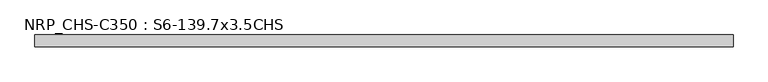
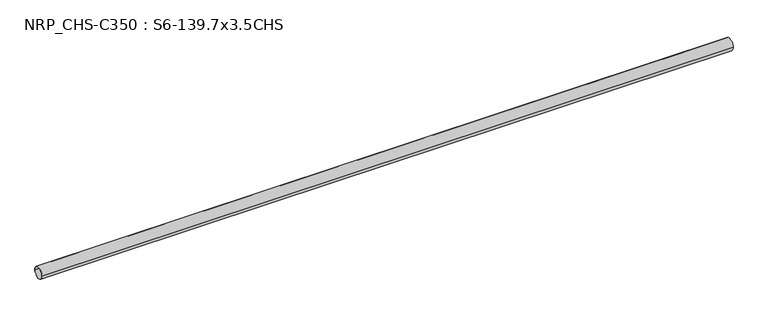
"""IFC4 building model written with IfcOpenShell, lengths in millimetres: beam geometry, NRP_CHS-C350 : S6-139.7x3.5CHS."""

from ifc_helpers import new_model, si_unit, point, frame, origin, origin_2d, place, context, project, spatial, circle_curve, trimmed, segment, composite_curve, outline, extrude, source, transform, mapped, element, save


def nrp_chs_c350_s6_139_7x3_5chs_f17c1bd6(model_context):
    return source(origin(), model_context, "Body", "SweptSolid", [
        extrude(outline(composite_curve([segment(trimmed(circle_curve(origin_2d(), 69.85), [point((69.85, 0.0))], [point((-69.85, 0.0))], False, "CARTESIAN"), True, "CONTINUOUS"), segment(trimmed(circle_curve(origin_2d(), 69.85), [point((-69.85, 0.0))], [point((69.85, 0.0))], False, "CARTESIAN"), True, "CONTINUOUS")], self_intersect=False), holes=[composite_curve([segment(trimmed(circle_curve(origin_2d(), 66.35), [point((-66.35, 0.0))], [point((66.35, 0.0))], True, "CARTESIAN"), True, "CONTINUOUS"), segment(trimmed(circle_curve(origin_2d(), 66.35), [point((66.35, 0.0))], [point((-66.35, 0.0))], True, "CARTESIAN"), True, "CONTINUOUS")], self_intersect=False)]), frame((-4114.25, 0.0, 0.0), z_axis=(1.0, 0.0, 0.0), x_axis=(0.0, 1.0, 0.0)), (0.0, 0.0, 1.0), 8092.1),
    ])


if __name__ == "__main__":
    model = new_model("IFC4")
    model_context = context("Model", 3, world=origin())
    ifc_project = project(units=[si_unit("LENGTHUNIT", "METRE", prefix="MILLI")], contexts=[model_context])
    site = spatial("IfcSite", under=ifc_project)
    building = spatial("IfcBuilding", under=site)
    placement = place(None, origin())
    nrp_chs_c350_s6_139_7x3_5chs_shape = nrp_chs_c350_s6_139_7x3_5chs_f17c1bd6(model_context)
    element("IfcBeam", 1, ObjectType="NRP_CHS-C350 : S6-139.7x3.5CHS", at=placement, inside=building, context=model_context, shape_type="MappedRepresentation", body=[
        mapped(nrp_chs_c350_s6_139_7x3_5chs_shape, transform((0.0, 0.0, 0.0), x_axis=(1.0, 0.0, 0.0), y_axis=(0.0, 1.0, 0.0), z_axis=(0.0, 0.0, 1.0))),
    ])
    save(model, "model.ifc")
